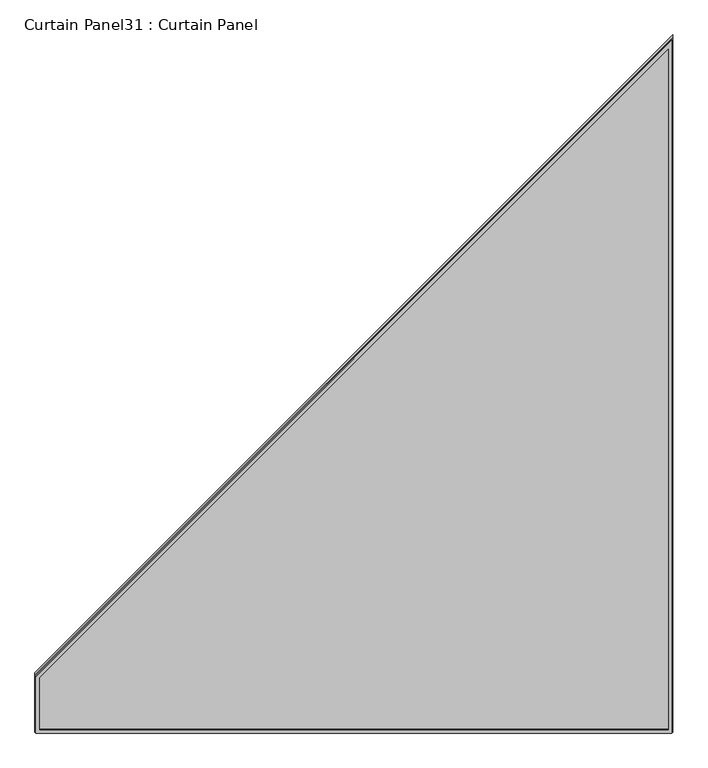
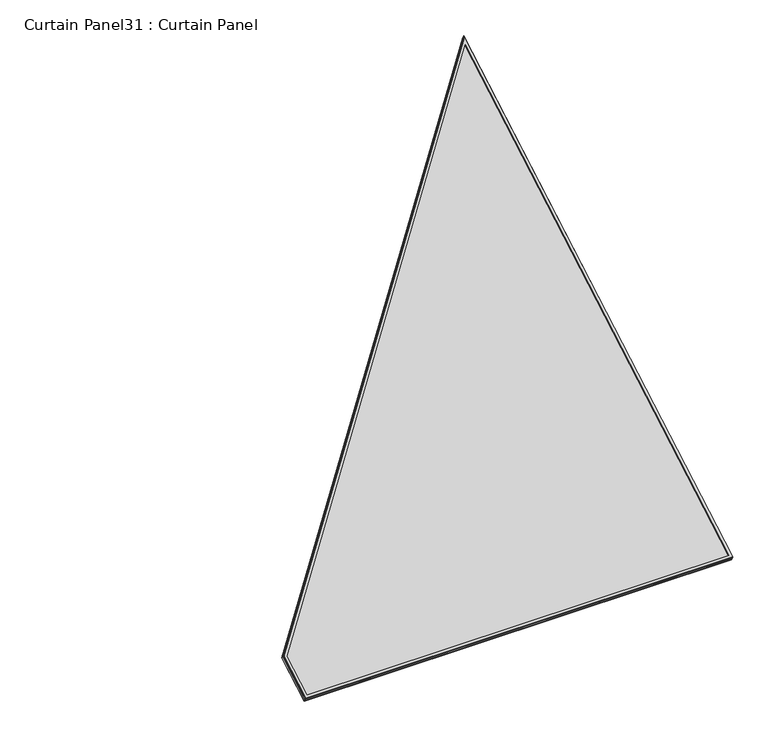
"""IFC4 building model written with IfcOpenShell, lengths in millimetres: plate geometry, Curtain Panel31 : Curtain Panel."""

from ifc_helpers import new_model, si_unit, frame, origin, place, context, project, spatial, polyline, outline, extrude, source, transform, mapped, element, save


def curtain_panel31_curtain_panel_f7fc9ee4(model_context):
    return source(origin(), model_context, "Body", "SweptSolid", [
        extrude(outline(polyline([(2262.058829, -1799.5012372), (2077.8850474, -1799.5012372), (0.0, 0.0), (2262.058829, 0.0), (2262.058829, -1799.5012372)]), holes=[polyline([(2250.9499512, -11.1088778), (29.7965184, -11.1088778), (2082.0267115, -1788.3923594), (2250.9499512, -1788.3923594), (2250.9499512, -11.1088778)])]), frame((13535.9628287, 12531.3032019, 2041.1444971), z_axis=(0.0, -0.500000000000002, 0.8660254037844375), x_axis=(0.0, -0.8660254037844375, -0.500000000000002)), (0.0, 0.0, 1.0), 4.7324686),
        extrude(outline(polyline([(2262.0588291, -1799.5012372), (2077.8850475, -1799.5012372), (0.0, 0.0), (2262.0588291, 0.0), (2262.0588291, -1799.5012372)]), holes=[polyline([(2250.9499513, -11.1088778), (29.7965184, -11.1088778), (2082.0267115, -1788.3923594), (2250.9499513, -1788.3923594), (2250.9499513, -11.1088778)])]), frame((13535.9628287, 12522.3654921, 2056.6250646), z_axis=(0.0, -0.5000000000000018, 0.8660254037844376), x_axis=(0.0, -0.8660254037844376, -0.5000000000000018)), (0.0, 0.0, 1.0), 4.6035803),
        extrude(outline(polyline([(12.7, 0.0), (1816.1, 0.0), (1816.1, -186.8499406), (12.7, -2269.2368915), (12.7, 0.0)])), frame((13550.6122101, 10569.866239, 914.3353145), z_axis=(0.0, -0.5000000000000002, 0.8660254037844386), x_axis=(-1.0, 0.0, 0.0)), (0.0, 0.0, 1.0), 13.0023155),
    ])


if __name__ == "__main__":
    model = new_model("IFC4")
    model_context = context("Model", 3, world=origin())
    ifc_project = project(units=[si_unit("LENGTHUNIT", "METRE", prefix="MILLI")], contexts=[model_context])
    site = spatial("IfcSite", under=ifc_project)
    building = spatial("IfcBuilding", under=site)
    placement = place(None, origin())
    curtain_panel31_curtain_panel_shape = curtain_panel31_curtain_panel_f7fc9ee4(model_context)
    element("IfcPlate", 1, ObjectType="Curtain Panel31 : Curtain Panel", at=placement, inside=building, context=model_context, shape_type="MappedRepresentation", body=[
        mapped(curtain_panel31_curtain_panel_shape, transform((0.0, 0.0, 0.0), x_axis=(1.0, 0.0, 0.0), y_axis=(0.0, 1.0, 0.0), z_axis=(0.0, 0.0, 1.0))),
    ])
    save(model, "model.ifc")
